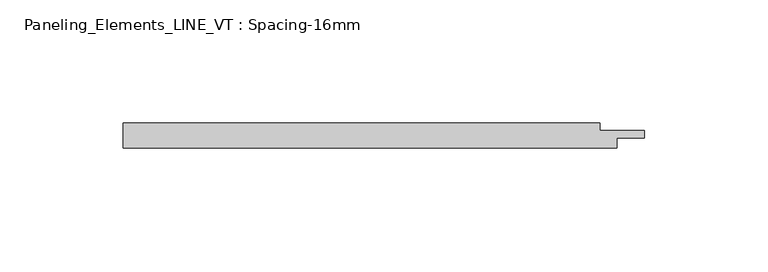
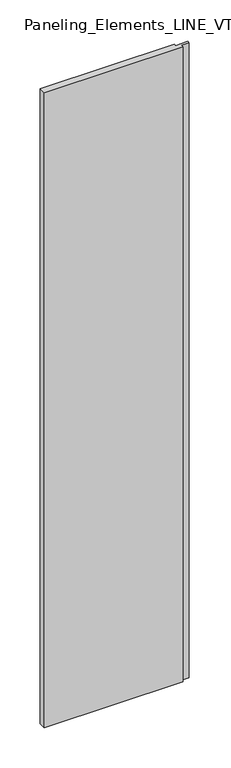
"""IFC4 building model written with IfcOpenShell, lengths in millimetres: plate geometry, Paneling_Elements_LINE_VT : Spacing-16mm."""

from ifc_helpers import new_model, si_unit, origin, origin_with_axes, place, context, project, spatial, polyline, outline, extrude, source, transform, mapped, element, save


def paneling_elements_line_vt_spacing_16mm_9b23e1b2(model_context):
    return source(origin(), model_context, "Body", "SweptSolid", [
        extrude(outline(polyline([(-100.0, -5.0), (-100.0, 5.0), (93.0, 5.0), (93.0, 2.0), (111.0, 2.0), (111.0, -1.0), (100.0, -1.0), (100.0, -5.0), (-100.0, -5.0)])), origin_with_axes(), (0.0, 0.0, 1.0), 964.5),
    ])


if __name__ == "__main__":
    model = new_model("IFC4")
    model_context = context("Model", 3, world=origin())
    ifc_project = project(units=[si_unit("LENGTHUNIT", "METRE", prefix="MILLI")], contexts=[model_context])
    site = spatial("IfcSite", under=ifc_project)
    building = spatial("IfcBuilding", under=site)
    placement = place(None, origin())
    paneling_elements_line_vt_spacing_16mm_shape = paneling_elements_line_vt_spacing_16mm_9b23e1b2(model_context)
    element("IfcPlate", 1, ObjectType="Paneling_Elements_LINE_VT : Spacing-16mm", at=placement, inside=building, context=model_context, shape_type="MappedRepresentation", body=[
        mapped(paneling_elements_line_vt_spacing_16mm_shape, transform((0.0, 0.0, 0.0), x_axis=(1.0, 0.0, 0.0), y_axis=(0.0, 1.0, 0.0), z_axis=(0.0, 0.0, 1.0))),
    ])
    save(model, "model.ifc")
